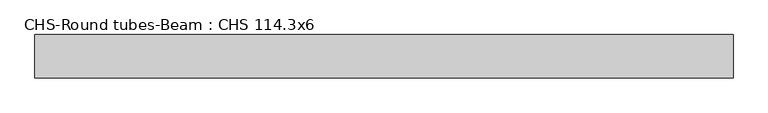
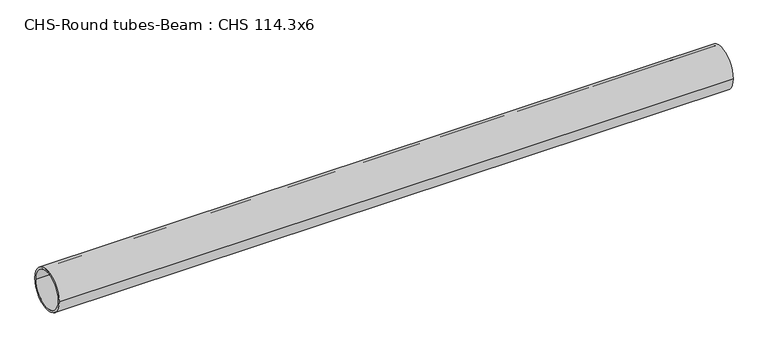
"""IFC4 building model written with IfcOpenShell, lengths in millimetres: beam geometry, CHS-Round tubes-Beam : CHS 114.3x6."""

import ifcopenshell
import ifcopenshell.guid

model = None  # the IFC model being written
_history = None  # IfcOwnerHistory: only IFC2X3 demands one
_inside = {}  # id of a spatial element -> (the spatial element, [elements in it])
_under = {}  # id of a project, library or spatial element -> (it, [spatial elements below it])
_declared = {}  # id of a project -> (the project, [libraries it declares])
_typed = {}  # id of a type object -> (the type object, [elements of that type])
_made_of = {}  # id of a material, layer set ... -> (it, [elements and type objects made of it])


def new_model(schema):
    """Start an empty IFC model of exactly this schema.

    Asked for "IFC4X3", IfcOpenShell would pick the latest addendum, in which some entities
    have other attributes; the version numbers below select the first issue.
    IFC2X3 requires an IfcOwnerHistory on every rooted entity: one is made here for all.
    """
    global model, _history
    if schema == "IFC4X3":
        model = ifcopenshell.file(schema_version=(4, 3, 0, 0))
    else:
        model = ifcopenshell.file(schema=schema)
    _inside.clear()
    _under.clear()
    _declared.clear()
    _typed.clear()
    _made_of.clear()
    _history = None
    if model.schema == "IFC2X3":
        org = make("IfcOrganization", Name="unknown")
        user = make(
            "IfcPersonAndOrganization",
            ThePerson=make("IfcPerson", FamilyName="unknown"),
            TheOrganization=org,
        )
        app = make(
            "IfcApplication",
            ApplicationDeveloper=org,
            Version="unknown",
            ApplicationFullName="unknown",
            ApplicationIdentifier="unknown",
        )
        _history = make(
            "IfcOwnerHistory",
            OwningUser=user,
            OwningApplication=app,
            ChangeAction="ADDED",
            CreationDate=0,
        )
    return model


def make(cls, **values):
    """One entity of the class cls with the attributes given. An attribute that is None is left unset."""
    return model.create_entity(
        cls, **{name: value for name, value in values.items() if value is not None}
    )


def rooted(cls, **values):
    """An entity with a GlobalId (a new one), such as an element, a storey or a relation."""
    return make(cls, GlobalId=ifcopenshell.guid.new(), OwnerHistory=_history, **values)


def si_unit(unit_type, name, prefix=None):
    """IfcSIUnit, for example si_unit("LENGTHUNIT", "METRE", prefix="MILLI")."""
    return make("IfcSIUnit", UnitType=unit_type, Prefix=prefix, Name=name)


def assignment(units):
    """IfcUnitAssignment: the units of a project."""
    return None if units is None else make("IfcUnitAssignment", Units=units)


def point(xyz):
    """IfcCartesianPoint."""
    return None if xyz is None else make("IfcCartesianPoint", Coordinates=xyz)


def direction(xyz):
    """IfcDirection."""
    return None if xyz is None else make("IfcDirection", DirectionRatios=xyz)


def frame(location, z_axis=None, x_axis=None):
    """IfcAxis2Placement3D, a coordinate frame: its origin and axes. An axis left out is left unset."""
    return make(
        "IfcAxis2Placement3D",
        Location=point(location),
        Axis=direction(z_axis),
        RefDirection=direction(x_axis),
    )


def frame_2d(location, x_axis=None):
    """IfcAxis2Placement2D, a coordinate frame in the plane: its origin and x axis."""
    return make(
        "IfcAxis2Placement2D", Location=point(location), RefDirection=direction(x_axis)
    )


def origin():
    """The frame at (0, 0, 0) with its axes left unset."""
    return frame((0.0, 0.0, 0.0))


def origin_2d():
    """The frame at (0, 0) in the plane with its x axis left unset."""
    return frame_2d((0.0, 0.0))


def place(relative_to, where):
    """IfcLocalPlacement: puts the frame where relative to a parent placement (None: the world)."""
    return make(
        "IfcLocalPlacement", PlacementRelTo=relative_to, RelativePlacement=where
    )


def context(
    kind, dimensions, precision=None, world=None, true_north=None, identifier=None
):
    """IfcGeometricRepresentationContext, for example the 3D "Model" context."""
    return make(
        "IfcGeometricRepresentationContext",
        ContextIdentifier=identifier,
        ContextType=kind,
        CoordinateSpaceDimension=dimensions,
        Precision=precision,
        WorldCoordinateSystem=world,
        TrueNorth=true_north,
    )


def project(units=None, contexts=None):
    """IfcProject with its units and contexts."""
    return rooted(
        "IfcProject",
        Name="project",
        RepresentationContexts=contexts,
        UnitsInContext=assignment(units),
    )


def spatial(cls, under=None, at=None, **own):
    """A site, building, storey or space (cls), placed at a placement, below another one or the project."""
    s = rooted(cls, ObjectPlacement=at, **own)
    if under is not None:
        _under.setdefault(under.id(), (under, []))[1].append(s)
    return s


def circle_curve(where, radius):
    """IfcCircle in the frame where."""
    return make("IfcCircle", Position=where, Radius=radius)


def trimmed(basis, trim1, trim2, sense, master):
    """IfcTrimmedCurve: the piece of a basis curve between two trims."""
    return make(
        "IfcTrimmedCurve",
        BasisCurve=basis,
        Trim1=trim1,
        Trim2=trim2,
        SenseAgreement=sense,
        MasterRepresentation=master,
    )


def segment(curve, same_sense, transition):
    """IfcCompositeCurveSegment."""
    return make(
        "IfcCompositeCurveSegment",
        Transition=transition,
        SameSense=same_sense,
        ParentCurve=curve,
    )


def composite_curve(segments, self_intersect=None):
    """IfcCompositeCurve: segments joined end to end."""
    return make("IfcCompositeCurve", Segments=segments, SelfIntersect=self_intersect)


def outline(outer, holes=None, kind="AREA"):
    """IfcArbitraryClosedProfileDef: a profile drawn as a closed curve; with holes, ...WithVoids."""
    if holes is None:
        return make("IfcArbitraryClosedProfileDef", ProfileType=kind, OuterCurve=outer)
    return make(
        "IfcArbitraryProfileDefWithVoids",
        ProfileType=kind,
        OuterCurve=outer,
        InnerCurves=holes,
    )


def extrude(swept, where, along, depth):
    """IfcExtrudedAreaSolid: the profile swept, set in the frame where, extruded along a direction by depth."""
    return make(
        "IfcExtrudedAreaSolid",
        SweptArea=swept,
        Position=where,
        ExtrudedDirection=direction(along),
        Depth=depth,
    )


def shape(context_of_items, identifier, shape_type, items):
    """IfcShapeRepresentation: the items that make up one representation, for example the "Body"."""
    return make(
        "IfcShapeRepresentation",
        ContextOfItems=context_of_items,
        RepresentationIdentifier=identifier,
        RepresentationType=shape_type,
        Items=items,
    )


def source(mapping_origin, context_of_items, identifier, shape_type, items):
    """IfcRepresentationMap: a shape defined once, which mapped items show again and again."""
    return make(
        "IfcRepresentationMap",
        MappingOrigin=mapping_origin,
        MappedRepresentation=shape(context_of_items, identifier, shape_type, items),
    )


def transform(
    local_origin,
    x_axis=None,
    y_axis=None,
    z_axis=None,
    scale=None,
    scale2=None,
    scale3=None,
    uniform=True,
):
    """IfcCartesianTransformationOperator3D, or its non-uniform kind. x_axis, y_axis, z_axis: its Axis1, 2, 3."""
    if uniform:
        return make(
            "IfcCartesianTransformationOperator3D",
            Axis1=direction(x_axis),
            Axis2=direction(y_axis),
            LocalOrigin=point(local_origin),
            Scale=scale,
            Axis3=direction(z_axis),
        )
    return make(
        "IfcCartesianTransformationOperator3DnonUniform",
        Axis1=direction(x_axis),
        Axis2=direction(y_axis),
        LocalOrigin=point(local_origin),
        Scale=scale,
        Axis3=direction(z_axis),
        Scale2=scale2,
        Scale3=scale3,
    )


def mapped(mapping_source, mapping_target):
    """IfcMappedItem: shows the shape of a source again, moved by a transform."""
    return make(
        "IfcMappedItem", MappingSource=mapping_source, MappingTarget=mapping_target
    )


def made_of(thing, what):
    """Note that an element or type object is made of a material, layer set ...; save() writes the relation."""
    if what is not None:
        _made_of.setdefault(what.id(), (what, []))[1].append(thing)
    return thing


def element(
    cls,
    number,
    at=None,
    inside=None,
    cuts=None,
    type_object=None,
    material=None,
    context=None,
    identifier="Body",
    shape_type=None,
    held_by="IfcProductDefinitionShape",
    body=None,
    shapes=None,
    **own,
):
    """One element of the class cls, such as IfcWall. Its Tag is "e" and its number.

    at: its placement. inside: the storey or other place that contains it. cuts: it is an
    opening in that element (IfcRelVoidsElement). A single representation is given by context,
    identifier, shape_type and body (its items); several are given by shapes. held_by: the class
    of the entity that holds the representations. save() writes the other relations.
    """
    e = rooted(cls, Tag="e%d" % number, ObjectPlacement=at, **own)
    if body is not None:
        shapes = [shape(context, identifier, shape_type, body)]
    if shapes is not None:
        e.Representation = make(held_by, Representations=shapes)
    if inside is not None:
        _inside.setdefault(inside.id(), (inside, []))[1].append(e)
    if cuts is not None:
        rooted(
            "IfcRelVoidsElement", RelatingBuildingElement=cuts, RelatedOpeningElement=e
        )
    if type_object is not None:
        _typed.setdefault(type_object.id(), (type_object, []))[1].append(e)
    return made_of(e, material)


def aggregate(whole, parts):
    """IfcRelAggregates: a whole, such as a stair, and the parts it consists of."""
    return rooted("IfcRelAggregates", RelatingObject=whole, RelatedObjects=parts)


def save(model, path):
    """Write the relations noted so far, then the file.

    IfcRelAggregates (storeys below a building ...), IfcRelContainedInSpatialStructure (elements
    in a storey), IfcRelDefinesByType, IfcRelAssociatesMaterial and IfcRelDeclares: one each for
    every whole, place, type object, material and project.
    """
    for whole, parts in _under.values():
        aggregate(whole, parts)
    for where, things in _inside.values():
        rooted(
            "IfcRelContainedInSpatialStructure",
            RelatedElements=things,
            RelatingStructure=where,
        )
    for kind, things in _typed.values():
        rooted("IfcRelDefinesByType", RelatedObjects=things, RelatingType=kind)
    for what, things in _made_of.values():
        rooted("IfcRelAssociatesMaterial", RelatedObjects=things, RelatingMaterial=what)
    for by, libraries in _declared.values():
        rooted("IfcRelDeclares", RelatingContext=by, RelatedDefinitions=libraries)
    model.write(path)


def chs_round_tubes_beam_chs_114_3x6_648957ca(model_context):
    return source(origin(), model_context, "Body", "SweptSolid", [
        extrude(outline(composite_curve([segment(trimmed(circle_curve(origin_2d(), 57.15), [point((57.15, 0.0))], [point((-57.15, 0.0))], False, "CARTESIAN"), True, "CONTINUOUS"), segment(trimmed(circle_curve(origin_2d(), 57.15), [point((-57.15, 0.0))], [point((57.15, 0.0))], False, "CARTESIAN"), True, "CONTINUOUS")], self_intersect=False), holes=[composite_curve([segment(trimmed(circle_curve(origin_2d(), 51.15), [point((51.15, 0.0))], [point((-51.15, 0.0))], True, "CARTESIAN"), True, "CONTINUOUS"), segment(trimmed(circle_curve(origin_2d(), 51.15), [point((-51.15, 0.0))], [point((51.15, 0.0))], True, "CARTESIAN"), True, "CONTINUOUS")], self_intersect=False)]), frame((-918.8714686, 0.0, 0.0), z_axis=(1.0, 0.0, 0.0), x_axis=(0.0, 1.0, 0.0)), (0.0, 0.0, 1.0), 1843.0288576),
    ])


if __name__ == "__main__":
    model = new_model("IFC4")
    model_context = context("Model", 3, world=origin())
    ifc_project = project(units=[si_unit("LENGTHUNIT", "METRE", prefix="MILLI")], contexts=[model_context])
    site = spatial("IfcSite", under=ifc_project)
    building = spatial("IfcBuilding", under=site)
    placement = place(None, origin())
    chs_round_tubes_beam_chs_114_3x6_shape = chs_round_tubes_beam_chs_114_3x6_648957ca(model_context)
    element("IfcBeam", 1, ObjectType="CHS-Round tubes-Beam : CHS 114.3x6", at=placement, inside=building, context=model_context, shape_type="MappedRepresentation", body=[
        mapped(chs_round_tubes_beam_chs_114_3x6_shape, transform((0.0, 0.0, 0.0), x_axis=(1.0, 0.0, 0.0), y_axis=(0.0, 1.0, 0.0), z_axis=(0.0, 0.0, 1.0))),
    ])
    save(model, "model.ifc")
